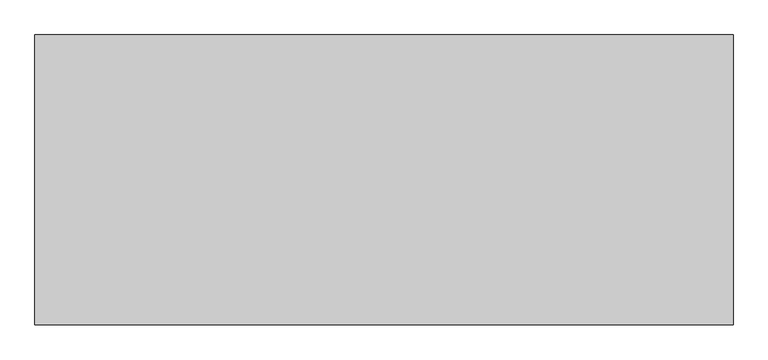
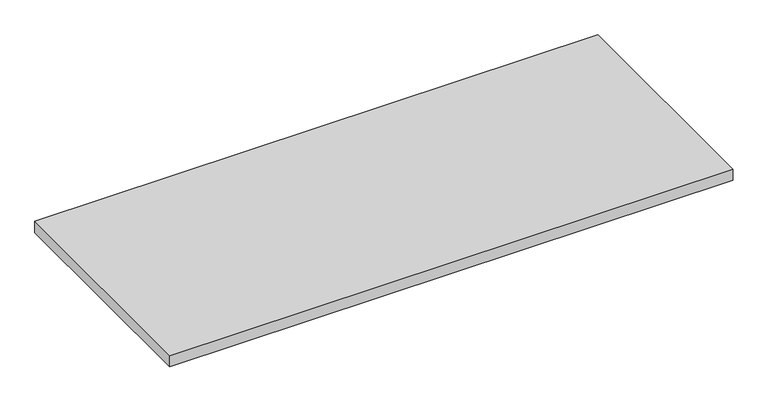
"""IFC4 building model written with IfcOpenShell, lengths in millimetres: furniture geometry."""

from ifc_helpers import new_model, si_unit, frame, origin, place, context, project, spatial, polyline, outline, extrude, source, transform, mapped, element, save


def furniture_ade43f2b(model_context):
    return source(origin(), model_context, "Body", "SweptSolid", [
        extrude(outline(polyline([(1217.5998, -548.7539634), (1217.5998, -1053.7059634), (1.6002, -1053.7059634), (1.6002, -548.7539634), (1217.5998, -548.7539634)])), frame((0.0, 0.0, 563.06974), z_axis=(0.0, 0.0, 1.0), x_axis=(1.0, 0.0, 0.0)), (0.0, 0.0, 1.0), 25.4),
    ])


if __name__ == "__main__":
    model = new_model("IFC4")
    model_context = context("Model", 3, world=origin())
    ifc_project = project(units=[si_unit("LENGTHUNIT", "METRE", prefix="MILLI")], contexts=[model_context])
    site = spatial("IfcSite", under=ifc_project)
    building = spatial("IfcBuilding", under=site)
    placement = place(None, origin())
    furniture_shape = furniture_ade43f2b(model_context)
    element("IfcFurniture", 1, at=placement, inside=building, context=model_context, shape_type="MappedRepresentation", body=[
        mapped(furniture_shape, transform((0.0, 0.0, 0.0), x_axis=(1.0, 0.0, 0.0), y_axis=(0.0, 1.0, 0.0), z_axis=(0.0, 0.0, 1.0))),
    ])
    save(model, "model.ifc")
